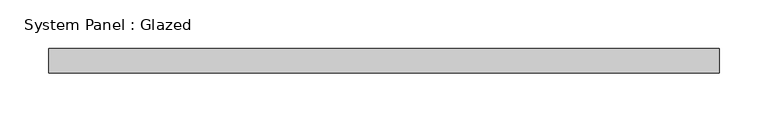
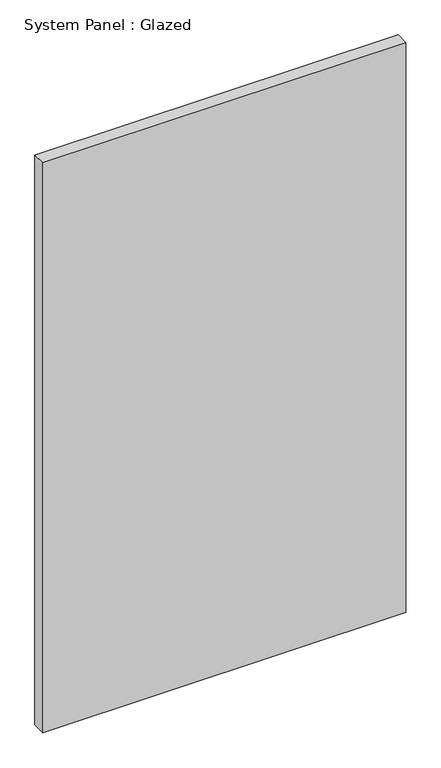
"""IFC4 building model written with IfcOpenShell, lengths in millimetres: plate geometry, System Panel : Glazed."""

from ifc_helpers import new_model, si_unit, origin, origin_with_axes, place, context, project, spatial, polyline, outline, extrude, source, transform, mapped, element, save


def system_panel_glazed_b9b41aa5(model_context):
    return source(origin(), model_context, "Body", "SweptSolid", [
        extrude(outline(polyline([(344.4875, 25.4), (-344.4875, 25.4), (-344.4875, 50.8), (344.4875, 50.8), (344.4875, 25.4)])), origin_with_axes(), (0.0, 0.0, 1.0), 1143.0),
    ])


if __name__ == "__main__":
    model = new_model("IFC4")
    model_context = context("Model", 3, world=origin())
    ifc_project = project(units=[si_unit("LENGTHUNIT", "METRE", prefix="MILLI")], contexts=[model_context])
    site = spatial("IfcSite", under=ifc_project)
    building = spatial("IfcBuilding", under=site)
    placement = place(None, origin())
    system_panel_glazed_shape = system_panel_glazed_b9b41aa5(model_context)
    element("IfcPlate", 1, ObjectType="System Panel : Glazed", at=placement, inside=building, context=model_context, shape_type="MappedRepresentation", body=[
        mapped(system_panel_glazed_shape, transform((0.0, 0.0, 0.0), x_axis=(1.0, 0.0, 0.0), y_axis=(0.0, 1.0, 0.0), z_axis=(0.0, 0.0, 1.0))),
    ])
    save(model, "model.ifc")
